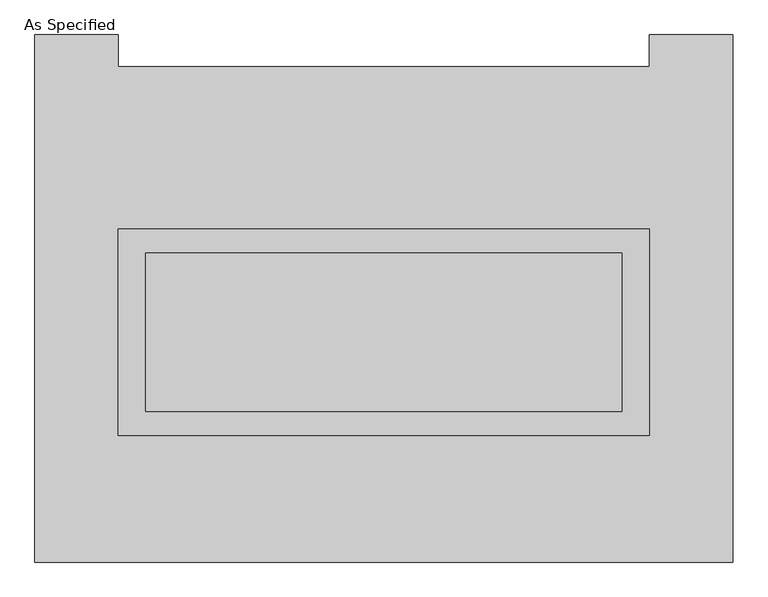
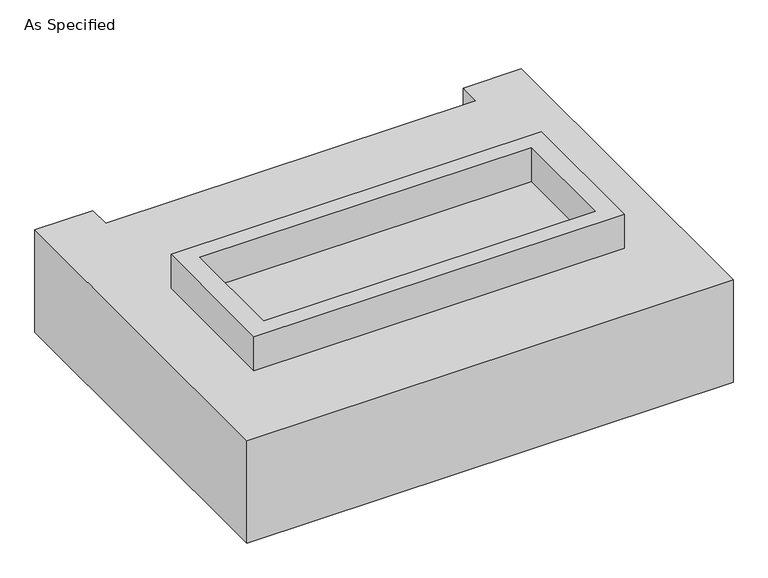
"""IFC4 building model written with IfcOpenShell, lengths in millimetres: proxy geometry, As Specified."""

from ifc_helpers import new_model, si_unit, frame, origin, place, context, project, spatial, polyline, outline, extrude, faceted_brep, source, transform, mapped, element, save


def as_specified_79efa0f4(model_context):
    return source(origin(), model_context, "Body", "SolidModel", [
        extrude(outline(polyline([(850.9, 273.05), (850.9, -387.35), (-850.9, -387.35), (-850.9, 273.05), (850.9, 273.05)]), holes=[polyline([(762.0, 196.85), (-762.0, 196.85), (-762.0, -311.15), (762.0, -311.15), (762.0, 196.85)])]), frame((0.0, 0.0, -25.4), z_axis=(0.0, 0.0, 1.0), x_axis=(1.0, 0.0, 0.0)), (0.0, 0.0, 1.0), 165.1),
        extrude(outline(polyline([(762.0, 196.85), (762.0, -311.15), (-762.0, -311.15), (-762.0, 196.85), (762.0, 196.85)])), frame((0.0, 0.0, -30.3609375), z_axis=(0.0, 0.0, 1.0), x_axis=(1.0, 0.0, 0.0)), (0.0, 0.0, 1.0), 4.9609375),
        faceted_brep([(1117.6, -793.75, -523.875), (-1117.6, -793.75, -523.875), (-1117.6, 895.35, -523.875), (-850.9, 895.35, -523.875), (-850.9, 793.75, -523.875), (850.9, 793.75, -523.875), (850.9, 895.35, -523.875), (1117.6, 895.35, -523.875), (-1117.6, -793.75, -25.4), (1117.6, -793.75, -25.4), (1117.6, 895.35, -25.4), (850.9, 895.35, -25.4), (850.9, 793.75, -25.4), (-850.9, 793.75, -25.4), (-850.9, 895.35, -25.4), (-1117.6, 895.35, -25.4), (-850.9, -387.35, -25.4), (-850.9, 273.05, -25.4), (850.9, 273.05, -25.4), (850.9, -387.35, -25.4), (850.9, 273.05, -498.475), (-850.9, 273.05, -498.475), (-850.9, -387.35, -498.475), (850.9, -387.35, -498.475)], [[[0, 1, 2, 3, 4, 5, 6, 7]], [[8, 9, 10, 11, 12, 13, 14, 15], [16, 17, 18, 19]], [[4, 13, 12, 5]], [[1, 8, 15, 2]], [[10, 9, 0, 7]], [[20, 21, 22, 23]], [[22, 21, 17, 16]], [[21, 20, 18, 17]], [[20, 23, 19, 18]], [[16, 19, 23, 22]], [[1, 0, 9, 8]], [[4, 3, 14, 13]], [[3, 2, 15, 14]], [[6, 5, 12, 11]], [[7, 6, 11, 10]]]),
    ])


if __name__ == "__main__":
    model = new_model("IFC4")
    model_context = context("Model", 3, world=origin())
    ifc_project = project(units=[si_unit("LENGTHUNIT", "METRE", prefix="MILLI")], contexts=[model_context])
    site = spatial("IfcSite", under=ifc_project)
    building = spatial("IfcBuilding", under=site)
    placement = place(None, origin())
    as_specified_shape = as_specified_79efa0f4(model_context)
    element("IfcBuildingElementProxy", 1, Name="As Specified", ObjectType="As Specified", at=placement, inside=building, context=model_context, shape_type="MappedRepresentation", body=[
        mapped(as_specified_shape, transform((0.0, 0.0, 0.0), x_axis=(1.0, 0.0, 0.0), y_axis=(0.0, 1.0, 0.0), z_axis=(0.0, 0.0, 1.0))),
    ])
    save(model, "model.ifc")
